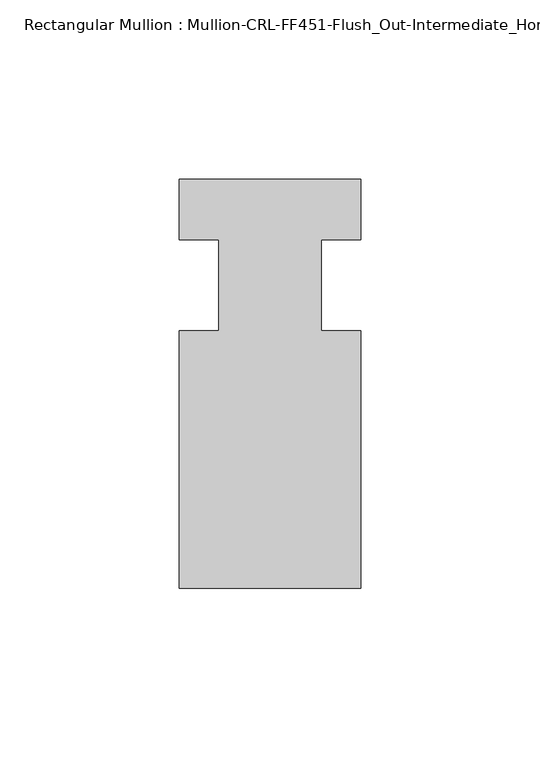
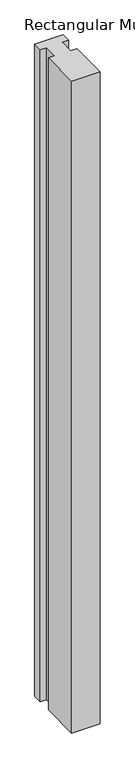
"""IFC4 building model written with IfcOpenShell, lengths in millimetres: member geometry, Rectangular Mullion : Mullion-CRL-FF451-Flush_Out-Intermediate_Horizontal-Ext."""

import ifcopenshell
import ifcopenshell.guid

model = None  # the IFC model being written
_history = None  # IfcOwnerHistory: only IFC2X3 demands one
_inside = {}  # id of a spatial element -> (the spatial element, [elements in it])
_under = {}  # id of a project, library or spatial element -> (it, [spatial elements below it])
_declared = {}  # id of a project -> (the project, [libraries it declares])
_typed = {}  # id of a type object -> (the type object, [elements of that type])
_made_of = {}  # id of a material, layer set ... -> (it, [elements and type objects made of it])


def new_model(schema):
    """Start an empty IFC model of exactly this schema.

    Asked for "IFC4X3", IfcOpenShell would pick the latest addendum, in which some entities
    have other attributes; the version numbers below select the first issue.
    IFC2X3 requires an IfcOwnerHistory on every rooted entity: one is made here for all.
    """
    global model, _history
    if schema == "IFC4X3":
        model = ifcopenshell.file(schema_version=(4, 3, 0, 0))
    else:
        model = ifcopenshell.file(schema=schema)
    _inside.clear()
    _under.clear()
    _declared.clear()
    _typed.clear()
    _made_of.clear()
    _history = None
    if model.schema == "IFC2X3":
        org = make("IfcOrganization", Name="unknown")
        user = make(
            "IfcPersonAndOrganization",
            ThePerson=make("IfcPerson", FamilyName="unknown"),
            TheOrganization=org,
        )
        app = make(
            "IfcApplication",
            ApplicationDeveloper=org,
            Version="unknown",
            ApplicationFullName="unknown",
            ApplicationIdentifier="unknown",
        )
        _history = make(
            "IfcOwnerHistory",
            OwningUser=user,
            OwningApplication=app,
            ChangeAction="ADDED",
            CreationDate=0,
        )
    return model


def make(cls, **values):
    """One entity of the class cls with the attributes given. An attribute that is None is left unset."""
    return model.create_entity(
        cls, **{name: value for name, value in values.items() if value is not None}
    )


def rooted(cls, **values):
    """An entity with a GlobalId (a new one), such as an element, a storey or a relation."""
    return make(cls, GlobalId=ifcopenshell.guid.new(), OwnerHistory=_history, **values)


def si_unit(unit_type, name, prefix=None):
    """IfcSIUnit, for example si_unit("LENGTHUNIT", "METRE", prefix="MILLI")."""
    return make("IfcSIUnit", UnitType=unit_type, Prefix=prefix, Name=name)


def assignment(units):
    """IfcUnitAssignment: the units of a project."""
    return None if units is None else make("IfcUnitAssignment", Units=units)


def point(xyz):
    """IfcCartesianPoint."""
    return None if xyz is None else make("IfcCartesianPoint", Coordinates=xyz)


def direction(xyz):
    """IfcDirection."""
    return None if xyz is None else make("IfcDirection", DirectionRatios=xyz)


def frame(location, z_axis=None, x_axis=None):
    """IfcAxis2Placement3D, a coordinate frame: its origin and axes. An axis left out is left unset."""
    return make(
        "IfcAxis2Placement3D",
        Location=point(location),
        Axis=direction(z_axis),
        RefDirection=direction(x_axis),
    )


def origin():
    """The frame at (0, 0, 0) with its axes left unset."""
    return frame((0.0, 0.0, 0.0))


def place(relative_to, where):
    """IfcLocalPlacement: puts the frame where relative to a parent placement (None: the world)."""
    return make(
        "IfcLocalPlacement", PlacementRelTo=relative_to, RelativePlacement=where
    )


def context(
    kind, dimensions, precision=None, world=None, true_north=None, identifier=None
):
    """IfcGeometricRepresentationContext, for example the 3D "Model" context."""
    return make(
        "IfcGeometricRepresentationContext",
        ContextIdentifier=identifier,
        ContextType=kind,
        CoordinateSpaceDimension=dimensions,
        Precision=precision,
        WorldCoordinateSystem=world,
        TrueNorth=true_north,
    )


def project(units=None, contexts=None):
    """IfcProject with its units and contexts."""
    return rooted(
        "IfcProject",
        Name="project",
        RepresentationContexts=contexts,
        UnitsInContext=assignment(units),
    )


def spatial(cls, under=None, at=None, **own):
    """A site, building, storey or space (cls), placed at a placement, below another one or the project."""
    s = rooted(cls, ObjectPlacement=at, **own)
    if under is not None:
        _under.setdefault(under.id(), (under, []))[1].append(s)
    return s


def polyline(points):
    """IfcPolyline through the points."""
    return make("IfcPolyline", Points=[point(p) for p in points])


def outline(outer, holes=None, kind="AREA"):
    """IfcArbitraryClosedProfileDef: a profile drawn as a closed curve; with holes, ...WithVoids."""
    if holes is None:
        return make("IfcArbitraryClosedProfileDef", ProfileType=kind, OuterCurve=outer)
    return make(
        "IfcArbitraryProfileDefWithVoids",
        ProfileType=kind,
        OuterCurve=outer,
        InnerCurves=holes,
    )


def extrude(swept, where, along, depth):
    """IfcExtrudedAreaSolid: the profile swept, set in the frame where, extruded along a direction by depth."""
    return make(
        "IfcExtrudedAreaSolid",
        SweptArea=swept,
        Position=where,
        ExtrudedDirection=direction(along),
        Depth=depth,
    )


def shape(context_of_items, identifier, shape_type, items):
    """IfcShapeRepresentation: the items that make up one representation, for example the "Body"."""
    return make(
        "IfcShapeRepresentation",
        ContextOfItems=context_of_items,
        RepresentationIdentifier=identifier,
        RepresentationType=shape_type,
        Items=items,
    )


def source(mapping_origin, context_of_items, identifier, shape_type, items):
    """IfcRepresentationMap: a shape defined once, which mapped items show again and again."""
    return make(
        "IfcRepresentationMap",
        MappingOrigin=mapping_origin,
        MappedRepresentation=shape(context_of_items, identifier, shape_type, items),
    )


def transform(
    local_origin,
    x_axis=None,
    y_axis=None,
    z_axis=None,
    scale=None,
    scale2=None,
    scale3=None,
    uniform=True,
):
    """IfcCartesianTransformationOperator3D, or its non-uniform kind. x_axis, y_axis, z_axis: its Axis1, 2, 3."""
    if uniform:
        return make(
            "IfcCartesianTransformationOperator3D",
            Axis1=direction(x_axis),
            Axis2=direction(y_axis),
            LocalOrigin=point(local_origin),
            Scale=scale,
            Axis3=direction(z_axis),
        )
    return make(
        "IfcCartesianTransformationOperator3DnonUniform",
        Axis1=direction(x_axis),
        Axis2=direction(y_axis),
        LocalOrigin=point(local_origin),
        Scale=scale,
        Axis3=direction(z_axis),
        Scale2=scale2,
        Scale3=scale3,
    )


def mapped(mapping_source, mapping_target):
    """IfcMappedItem: shows the shape of a source again, moved by a transform."""
    return make(
        "IfcMappedItem", MappingSource=mapping_source, MappingTarget=mapping_target
    )


def made_of(thing, what):
    """Note that an element or type object is made of a material, layer set ...; save() writes the relation."""
    if what is not None:
        _made_of.setdefault(what.id(), (what, []))[1].append(thing)
    return thing


def element(
    cls,
    number,
    at=None,
    inside=None,
    cuts=None,
    type_object=None,
    material=None,
    context=None,
    identifier="Body",
    shape_type=None,
    held_by="IfcProductDefinitionShape",
    body=None,
    shapes=None,
    **own,
):
    """One element of the class cls, such as IfcWall. Its Tag is "e" and its number.

    at: its placement. inside: the storey or other place that contains it. cuts: it is an
    opening in that element (IfcRelVoidsElement). A single representation is given by context,
    identifier, shape_type and body (its items); several are given by shapes. held_by: the class
    of the entity that holds the representations. save() writes the other relations.
    """
    e = rooted(cls, Tag="e%d" % number, ObjectPlacement=at, **own)
    if body is not None:
        shapes = [shape(context, identifier, shape_type, body)]
    if shapes is not None:
        e.Representation = make(held_by, Representations=shapes)
    if inside is not None:
        _inside.setdefault(inside.id(), (inside, []))[1].append(e)
    if cuts is not None:
        rooted(
            "IfcRelVoidsElement", RelatingBuildingElement=cuts, RelatedOpeningElement=e
        )
    if type_object is not None:
        _typed.setdefault(type_object.id(), (type_object, []))[1].append(e)
    return made_of(e, material)


def aggregate(whole, parts):
    """IfcRelAggregates: a whole, such as a stair, and the parts it consists of."""
    return rooted("IfcRelAggregates", RelatingObject=whole, RelatedObjects=parts)


def save(model, path):
    """Write the relations noted so far, then the file.

    IfcRelAggregates (storeys below a building ...), IfcRelContainedInSpatialStructure (elements
    in a storey), IfcRelDefinesByType, IfcRelAssociatesMaterial and IfcRelDeclares: one each for
    every whole, place, type object, material and project.
    """
    for whole, parts in _under.values():
        aggregate(whole, parts)
    for where, things in _inside.values():
        rooted(
            "IfcRelContainedInSpatialStructure",
            RelatedElements=things,
            RelatingStructure=where,
        )
    for kind, things in _typed.values():
        rooted("IfcRelDefinesByType", RelatedObjects=things, RelatingType=kind)
    for what, things in _made_of.values():
        rooted("IfcRelAssociatesMaterial", RelatedObjects=things, RelatingMaterial=what)
    for by, libraries in _declared.values():
        rooted("IfcRelDeclares", RelatingContext=by, RelatedDefinitions=libraries)
    model.write(path)


def rectangular_mullion_mullion_crl_ff451_flush_out_intermediate_93211586(model_context):
    return source(origin(), model_context, "Body", "SweptSolid", [
        extrude(outline(polyline([(21.4290159, -84.6650108), (-29.3709841, -84.6650108), (-29.3709841, -12.7), (-18.2682251, -12.7), (-18.2682251, 12.7), (-29.3709841, 12.7), (-29.3709841, 29.6349892), (21.4290159, 29.6349892), (21.4290159, 12.7), (10.3165159, 12.7), (10.3165159, -12.7), (21.4290159, -12.7), (21.4290159, -84.6650108)])), frame((0.0, 0.0, -1227.5840916), z_axis=(0.0, 0.0, 1.0), x_axis=(1.0, 0.0, 0.0)), (0.0, 0.0, 1.0), 1227.5840916),
    ])


if __name__ == "__main__":
    model = new_model("IFC4")
    model_context = context("Model", 3, world=origin())
    ifc_project = project(units=[si_unit("LENGTHUNIT", "METRE", prefix="MILLI")], contexts=[model_context])
    site = spatial("IfcSite", under=ifc_project)
    building = spatial("IfcBuilding", under=site)
    placement = place(None, origin())
    rectangular_mullion_mullion_crl_ff451_flush_out_intermediate_shape = rectangular_mullion_mullion_crl_ff451_flush_out_intermediate_93211586(model_context)
    element("IfcMember", 1, ObjectType="Rectangular Mullion : Mullion-CRL-FF451-Flush_Out-Intermediate_Horizontal-Ext", at=placement, inside=building, context=model_context, shape_type="MappedRepresentation", body=[
        mapped(rectangular_mullion_mullion_crl_ff451_flush_out_intermediate_shape, transform((0.0, 0.0, 0.0), x_axis=(1.0, 0.0, 0.0), y_axis=(0.0, 1.0, 0.0), z_axis=(0.0, 0.0, 1.0))),
    ])
    save(model, "model.ifc")
